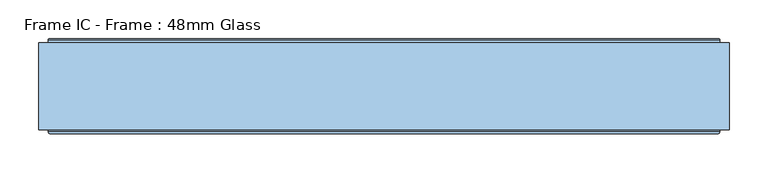
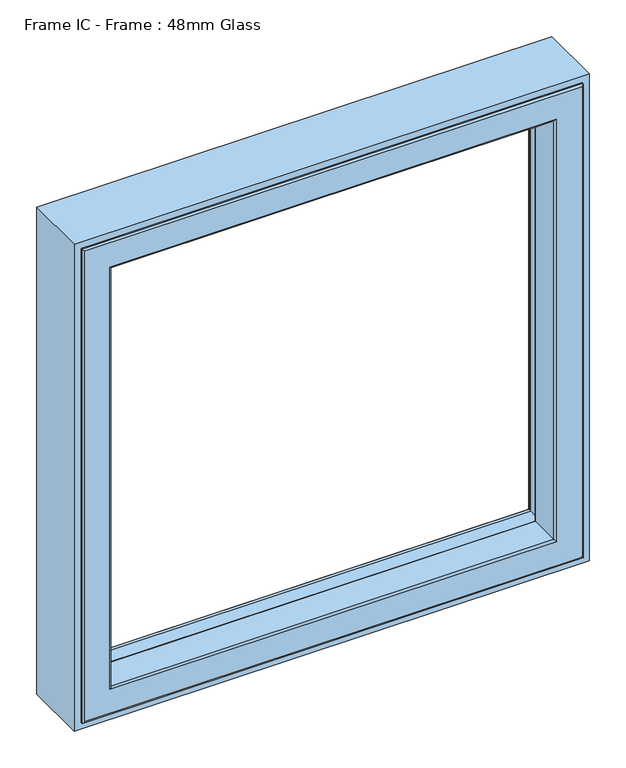
"""IFC4 building model written with IfcOpenShell, lengths in millimetres: window geometry, Frame IC - Frame : 48mm Glass."""

from ifc_helpers import new_model, si_unit, frame, origin, place, context, project, spatial, polyline, ellipse_curve, outline, extrude, source, transform, mapped, element, save
from ifc_brep_helpers import plane_surface, cylinder_surface, revolved_surface, advanced_brep


def frame_ic_frame_48mm_glass_42f8a57f(model_context):
    return source(origin(), model_context, "Body", "SolidModel", [
        advanced_brep(
        [(-383.5, -38.0, 1627.5), (-382.0, -39.5, 1626.0), (-382.0, -39.5, 862.0), (-383.5, -38.0, 860.5), (-382.0, -94.0, 1626.0), (-382.0, -94.0, 862.0), (382.0, -39.5, 862.0), (383.5, -38.0, 860.5), (398.6498733, -38.0, 1642.6498733), (398.6498733, -38.0, 845.3501267), (-398.6498733, -38.0, 845.3501267), (-398.6498733, -38.0, 1642.6498733), (383.5, -38.0, 1627.5), (-400.1386925, -36.682804, 1644.1386925), (-400.1386925, -36.682804, 843.8613075), (400.1386925, -36.682804, 843.8613075), (-406.7857488, 17.453125, 1650.7857488), (-406.7857488, 17.453125, 837.2142512), (406.7857488, 17.453125, 837.2142512), (407.6, 17.453125, 1651.6), (407.6, 17.453125, 836.4), (-407.6, 17.453125, 836.4), (-407.6, 17.453125, 1651.6), (406.7857488, 17.453125, 1650.7857488), (-407.6, 24.0, 1651.6), (-407.6, 24.0, 836.4), (407.6, 24.0, 836.4), (-408.6, 25.0, 1652.6), (-408.6, 25.0, 835.4), (408.6, 25.0, 835.4), (431.0, 25.0, 1675.0), (431.0, 25.0, 813.0), (-431.0, 25.0, 813.0), (-431.0, 25.0, 1675.0), (408.6, 25.0, 1652.6), (-432.0, 24.0, 1676.0), (-432.0, 24.0, 812.0), (432.0, 24.0, 812.0), (-432.0, -94.0, 1676.0), (-432.0, -94.0, 812.0), (432.0, -94.0, 812.0), (-429.0, -97.0, 1673.0), (-429.0, -97.0, 815.0), (429.0, -97.0, 815.0), (429.0, -97.0, 1673.0), (385.0, -97.0, 1629.0), (385.0, -97.0, 859.0), (-385.0, -97.0, 859.0), (-385.0, -97.0, 1629.0), (382.0, -94.0, 862.0), (382.0, -39.5, 1626.0), (400.1386925, -36.682804, 1644.1386925), (407.6, 24.0, 1651.6), (432.0, 24.0, 1676.0), (432.0, -94.0, 1676.0), (382.0, -94.0, 1626.0)],
        [
            (0, 1, ellipse_curve(frame((-383.5, -39.5, 1627.5), z_axis=(-0.7071067811865475, 0.0, -0.7071067811865475), x_axis=(-0.7071067811865474, 0.0, 0.7071067811865476)), 2.1213203, 1.5)),
            (1, 2),
            (2, 3, ellipse_curve(frame((-383.5, -39.5, 860.5), z_axis=(-0.7071067811865475, 0.0, 0.7071067811865475), x_axis=(0.7071067811865474, 0.0, 0.7071067811865476)), 2.1213203, 1.5)),
            (3, 0),
            (1, 4),
            (4, 5),
            (5, 2),
            (2, 6),
            (6, 7, ellipse_curve(frame((383.5, -39.5, 860.5), z_axis=(-0.7071067811865475, 0.0, -0.7071067811865475), x_axis=(-0.7071067811865476, 0.0, 0.7071067811865474)), 2.1213203, 1.5)),
            (7, 3),
            (8, 9),
            (9, 10),
            (10, 11),
            (11, 8),
            (7, 12),
            (12, 0),
            (13, 11, ellipse_curve(frame((-398.6498733, -36.5, 1642.6498733), z_axis=(0.7071067811865475, 0.0, 0.7071067811865475), x_axis=(0.7071067811865474, 0.0, -0.7071067811865476)), 2.1213203, 1.5)),
            (10, 14, ellipse_curve(frame((-398.6498733, -36.5, 845.3501267), z_axis=(0.7071067811865475, 0.0, -0.7071067811865475), x_axis=(-0.7071067811865474, 0.0, -0.7071067811865476)), 2.1213203, 1.5)),
            (14, 13),
            (9, 15, ellipse_curve(frame((398.6498733, -36.5, 845.3501267), z_axis=(0.7071067811865475, 0.0, 0.7071067811865475), x_axis=(0.7071067811865476, 0.0, -0.7071067811865474)), 2.1213203, 1.5)),
            (15, 14),
            (16, 13),
            (14, 17),
            (17, 16),
            (15, 18),
            (18, 17),
            (19, 20),
            (20, 21),
            (21, 22),
            (22, 19),
            (18, 23),
            (23, 16),
            (24, 22),
            (21, 25),
            (25, 24),
            (20, 26),
            (26, 25),
            (27, 24, ellipse_curve(frame((-408.6, 24.0, 1652.6), z_axis=(-0.7071067811865475, 0.0, -0.7071067811865475), x_axis=(-0.7071067811865474, 0.0, 0.7071067811865476)), 1.4142136, 1.0)),
            (25, 28, ellipse_curve(frame((-408.6, 24.0, 835.4), z_axis=(-0.7071067811865475, 0.0, 0.7071067811865475), x_axis=(0.7071067811865474, 0.0, 0.7071067811865476)), 1.4142136, 1.0)),
            (28, 27),
            (26, 29, ellipse_curve(frame((408.6, 24.0, 835.4), z_axis=(-0.7071067811865475, 0.0, -0.7071067811865475), x_axis=(-0.7071067811865476, 0.0, 0.7071067811865474)), 1.4142136, 1.0)),
            (29, 28),
            (30, 31),
            (31, 32),
            (32, 33),
            (33, 30),
            (29, 34),
            (34, 27),
            (35, 33, ellipse_curve(frame((-431.0, 24.0, 1675.0), z_axis=(-0.7071067811865475, 0.0, -0.7071067811865475), x_axis=(-0.7071067811865474, 0.0, 0.7071067811865476)), 1.4142136, 1.0)),
            (32, 36, ellipse_curve(frame((-431.0, 24.0, 813.0), z_axis=(-0.7071067811865475, 0.0, 0.7071067811865475), x_axis=(0.7071067811865474, 0.0, 0.7071067811865476)), 1.4142136, 1.0)),
            (36, 35),
            (31, 37, ellipse_curve(frame((431.0, 24.0, 813.0), z_axis=(-0.7071067811865475, 0.0, -0.7071067811865475), x_axis=(-0.7071067811865476, 0.0, 0.7071067811865474)), 1.4142136, 1.0)),
            (37, 36),
            (38, 35),
            (36, 39),
            (39, 38),
            (37, 40),
            (40, 39),
            (41, 38, ellipse_curve(frame((-429.0, -94.0, 1673.0), z_axis=(-0.7071067811865475, 0.0, -0.7071067811865475), x_axis=(-0.7071067811865474, 0.0, 0.7071067811865476)), 4.2426407, 3.0)),
            (39, 42, ellipse_curve(frame((-429.0, -94.0, 815.0), z_axis=(-0.7071067811865475, 0.0, 0.7071067811865475), x_axis=(0.7071067811865474, 0.0, 0.7071067811865476)), 4.2426407, 3.0)),
            (42, 41),
            (40, 43, ellipse_curve(frame((429.0, -94.0, 815.0), z_axis=(-0.7071067811865475, 0.0, -0.7071067811865475), x_axis=(-0.7071067811865476, 0.0, 0.7071067811865474)), 4.2426407, 3.0)),
            (43, 42),
            (43, 44),
            (44, 41),
            (45, 46),
            (46, 47),
            (47, 48),
            (48, 45),
            (4, 48, ellipse_curve(frame((-385.0, -94.0, 1629.0), z_axis=(-0.7071067811865475, 0.0, -0.7071067811865475), x_axis=(-0.7071067811865474, 0.0, 0.7071067811865476)), 4.2426407, 3.0)),
            (47, 5, ellipse_curve(frame((-385.0, -94.0, 859.0), z_axis=(-0.7071067811865475, 0.0, 0.7071067811865475), x_axis=(0.7071067811865474, 0.0, 0.7071067811865476)), 4.2426407, 3.0)),
            (46, 49, ellipse_curve(frame((385.0, -94.0, 859.0), z_axis=(-0.7071067811865475, 0.0, -0.7071067811865475), x_axis=(-0.7071067811865476, 0.0, 0.7071067811865474)), 4.2426407, 3.0)),
            (49, 5),
            (49, 6),
            (6, 50),
            (50, 12, ellipse_curve(frame((383.5, -39.5, 1627.5), z_axis=(0.7071067811865475, 0.0, -0.7071067811865475), x_axis=(-0.7071067811865474, 0.0, -0.7071067811865476)), 2.1213203, 1.5)),
            (8, 51, ellipse_curve(frame((398.6498733, -36.5, 1642.6498733), z_axis=(-0.7071067811865475, 0.0, 0.7071067811865475), x_axis=(0.7071067811865474, 0.0, 0.7071067811865476)), 2.1213203, 1.5)),
            (51, 15),
            (51, 23),
            (19, 52),
            (52, 26),
            (52, 34, ellipse_curve(frame((408.6, 24.0, 1652.6), z_axis=(0.7071067811865475, 0.0, -0.7071067811865475), x_axis=(-0.7071067811865474, 0.0, -0.7071067811865476)), 1.4142136, 1.0)),
            (30, 53, ellipse_curve(frame((431.0, 24.0, 1675.0), z_axis=(0.7071067811865475, 0.0, -0.7071067811865475), x_axis=(-0.7071067811865474, 0.0, -0.7071067811865476)), 1.4142136, 1.0)),
            (53, 37),
            (53, 54),
            (54, 40),
            (54, 44, ellipse_curve(frame((429.0, -94.0, 1673.0), z_axis=(0.7071067811865475, 0.0, -0.7071067811865475), x_axis=(-0.7071067811865474, 0.0, -0.7071067811865476)), 4.2426407, 3.0)),
            (45, 55, ellipse_curve(frame((385.0, -94.0, 1629.0), z_axis=(0.7071067811865475, 0.0, -0.7071067811865475), x_axis=(-0.7071067811865474, 0.0, -0.7071067811865476)), 4.2426407, 3.0)),
            (55, 49),
            (55, 50),
            (50, 1),
            (13, 51),
            (24, 52),
            (35, 53),
            (38, 54),
            (4, 55),
        ],
        [
            cylinder_surface(frame((-383.5, -39.5, 1688.0), z_axis=(0.0, 0.0, 1.0), x_axis=(0.0, 1.0, 0.0)), 1.5),
            plane_surface(frame((-382.0, -94.0, 1626.0), z_axis=(1.0, 0.0, 0.0), x_axis=(0.0, 0.0, -1.0))),
            cylinder_surface(frame((-444.0, -39.5, 860.5), z_axis=(-1.0, 0.0, 0.0), x_axis=(0.0, 1.0, 0.0)), 1.5),
            plane_surface(frame((383.5, -38.0, 860.5), z_axis=(0.0, 1.0, 0.0), x_axis=(0.0, 0.0, 1.0))),
            revolved_surface(polyline([(-398.6498733, -35.0, 843.8501267308013), (-398.6498733, -35.0, 1644.1498732691987)]), (-398.6498733, -36.5, 1688.0), (0.0, 0.0, -1.0)),
            revolved_surface(polyline([(400.1498732691988, -35.0, 845.3501267), (-400.1498732691987, -35.0, 845.3501267)]), (-444.0, -36.5, 845.3501267), (1.0, 0.0, 0.0)),
            plane_surface(frame((-400.1386925, -36.682804, 1644.1386925), z_axis=(0.9925461516413234, 0.12186934340513698, 0.0), x_axis=(0.0, 0.0, -1.0))),
            plane_surface(frame((-400.1386925, -36.682804, 843.8613075), z_axis=(0.0, 0.12186934340513698, 0.9925461516413234), x_axis=(1.0, 0.0, 0.0))),
            plane_surface(frame((406.7857488, 17.453125, 837.2142512), z_axis=(0.0, 1.0, 0.0), x_axis=(0.0, 0.0, 1.0))),
            plane_surface(frame((-407.6, 17.453125, 1651.6), z_axis=(1.0, 0.0, 0.0), x_axis=(0.0, 0.0, -1.0))),
            plane_surface(frame((-407.6, 17.453125, 836.4), z_axis=(0.0, 0.0, 1.0), x_axis=(1.0, 0.0, 0.0))),
            cylinder_surface(frame((-408.6, 24.0, 1688.0), z_axis=(0.0, 0.0, 1.0), x_axis=(0.0, 1.0, 0.0)), 1.0),
            cylinder_surface(frame((-444.0, 24.0, 835.4), z_axis=(-1.0, 0.0, 0.0), x_axis=(0.0, 1.0, 0.0)), 1.0),
            plane_surface(frame((408.6, 25.0, 835.4), z_axis=(0.0, 1.0, 0.0), x_axis=(0.0, 0.0, 1.0))),
            cylinder_surface(frame((-431.0, 24.0, 1688.0), z_axis=(0.0, 0.0, 1.0), x_axis=(0.0, 1.0, 0.0)), 1.0),
            cylinder_surface(frame((-444.0, 24.0, 813.0), z_axis=(-1.0, 0.0, 0.0), x_axis=(0.0, 1.0, 0.0)), 1.0),
            plane_surface(frame((-432.0, 24.0, 1676.0), z_axis=(-1.0, 0.0, 0.0), x_axis=(0.0, 0.0, -1.0))),
            plane_surface(frame((-432.0, 24.0, 812.0), z_axis=(0.0, 0.0, -1.0), x_axis=(1.0, 0.0, 0.0))),
            cylinder_surface(frame((-429.0, -94.0, 1688.0), z_axis=(0.0, 0.0, 1.0), x_axis=(0.0, 1.0, 0.0)), 3.0),
            cylinder_surface(frame((-444.0, -94.0, 815.0), z_axis=(-1.0, 0.0, 0.0), x_axis=(0.0, 1.0, 0.0)), 3.0),
            plane_surface(frame((429.0, -97.0, 815.0), z_axis=(0.0, -1.0, 0.0), x_axis=(0.0, 0.0, 1.0))),
            cylinder_surface(frame((-385.0, -94.0, 1688.0), z_axis=(0.0, 0.0, 1.0), x_axis=(0.0, 1.0, 0.0)), 3.0),
            cylinder_surface(frame((-444.0, -94.0, 859.0), z_axis=(-1.0, 0.0, 0.0), x_axis=(0.0, 1.0, 0.0)), 3.0),
            plane_surface(frame((-382.0, -94.0, 862.0), z_axis=(0.0, 0.0, 1.0), x_axis=(1.0, 0.0, 0.0))),
            cylinder_surface(frame((383.5, -39.5, 800.0), z_axis=(0.0, 0.0, -1.0), x_axis=(0.0, 1.0, 0.0)), 1.5),
            revolved_surface(polyline([(398.6498733, -35.0, 1644.149873269199), (398.6498733, -35.0, 843.8501267308013)]), (398.6498733, -36.5, 800.0), (0.0, 0.0, 1.0)),
            plane_surface(frame((400.1386925, -36.682804, 843.8613075), z_axis=(-0.9925461516413234, 0.12186934340513698, 0.0), x_axis=(0.0, 0.0, 1.0))),
            plane_surface(frame((407.6, 17.453125, 836.4), z_axis=(-1.0, 0.0, 0.0), x_axis=(0.0, 0.0, 1.0))),
            cylinder_surface(frame((408.6, 24.0, 800.0), z_axis=(0.0, 0.0, -1.0), x_axis=(0.0, 1.0, 0.0)), 1.0),
            cylinder_surface(frame((431.0, 24.0, 800.0), z_axis=(0.0, 0.0, -1.0), x_axis=(0.0, 1.0, 0.0)), 1.0),
            plane_surface(frame((432.0, 24.0, 812.0), z_axis=(1.0, 0.0, 0.0), x_axis=(0.0, 0.0, 1.0))),
            cylinder_surface(frame((429.0, -94.0, 800.0), z_axis=(0.0, 0.0, -1.0), x_axis=(0.0, 1.0, 0.0)), 3.0),
            cylinder_surface(frame((385.0, -94.0, 800.0), z_axis=(0.0, 0.0, -1.0), x_axis=(0.0, 1.0, 0.0)), 3.0),
            plane_surface(frame((382.0, -94.0, 862.0), z_axis=(-1.0, 0.0, 0.0), x_axis=(0.0, 0.0, 1.0))),
            cylinder_surface(frame((444.0, -39.5, 1627.5), z_axis=(1.0, 0.0, 0.0), x_axis=(0.0, 1.0, 0.0)), 1.5),
            revolved_surface(polyline([(-400.1498732691988, -35.0, 1642.6498733), (400.1498732691987, -35.0, 1642.6498733)]), (444.0, -36.5, 1642.6498733), (-1.0, 0.0, 0.0)),
            plane_surface(frame((400.1386925, -36.682804, 1644.1386925), z_axis=(0.0, 0.12186934340513698, -0.9925461516413234), x_axis=(-1.0, 0.0, 0.0))),
            plane_surface(frame((407.6, 17.453125, 1651.6), z_axis=(0.0, 0.0, -1.0), x_axis=(-1.0, 0.0, 0.0))),
            cylinder_surface(frame((444.0, 24.0, 1652.6), z_axis=(1.0, 0.0, 0.0), x_axis=(0.0, 1.0, 0.0)), 1.0),
            cylinder_surface(frame((444.0, 24.0, 1675.0), z_axis=(1.0, 0.0, 0.0), x_axis=(0.0, 1.0, 0.0)), 1.0),
            plane_surface(frame((432.0, 24.0, 1676.0), z_axis=(0.0, 0.0, 1.0), x_axis=(-1.0, 0.0, 0.0))),
            cylinder_surface(frame((444.0, -94.0, 1673.0), z_axis=(1.0, 0.0, 0.0), x_axis=(0.0, 1.0, 0.0)), 3.0),
            cylinder_surface(frame((444.0, -94.0, 1629.0), z_axis=(1.0, 0.0, 0.0), x_axis=(0.0, 1.0, 0.0)), 3.0),
            plane_surface(frame((382.0, -94.0, 1626.0), z_axis=(0.0, 0.0, -1.0), x_axis=(-1.0, 0.0, 0.0))),
        ],
        [
            (0, [[1, 2, 3, 4]]),
            (1, [[5, 6, 7, -2]]),
            (2, [[-3, 8, 9, 10]]),
            (3, [[11, 12, 13, 14], [-4, -10, 15, 16]]),
            (4, [[17, -13, 18, 19]]),
            (5, [[-18, -12, 20, 21]]),
            (6, [[22, -19, 23, 24]]),
            (7, [[-23, -21, 25, 26]]),
            (8, [[27, 28, 29, 30], [-24, -26, 31, 32]]),
            (9, [[33, -29, 34, 35]]),
            (10, [[-34, -28, 36, 37]]),
            (11, [[38, -35, 39, 40]]),
            (12, [[-39, -37, 41, 42]]),
            (13, [[43, 44, 45, 46], [-40, -42, 47, 48]]),
            (14, [[49, -45, 50, 51]]),
            (15, [[-50, -44, 52, 53]]),
            (16, [[54, -51, 55, 56]]),
            (17, [[-55, -53, 57, 58]]),
            (18, [[59, -56, 60, 61]]),
            (19, [[-60, -58, 62, 63]]),
            (20, [[-61, -63, 64, 65], [66, 67, 68, 69]]),
            (21, [[70, -68, 71, -6]]),
            (22, [[-71, -67, 72, 73]]),
            (23, [[-7, -73, 74, -8]]),
            (24, [[-9, 75, 76, -15]]),
            (25, [[-20, -11, 77, 78]]),
            (26, [[-25, -78, 79, -31]]),
            (27, [[-36, -27, 80, 81]]),
            (28, [[-41, -81, 82, -47]]),
            (29, [[-52, -43, 83, 84]]),
            (30, [[-57, -84, 85, 86]]),
            (31, [[-62, -86, 87, -64]]),
            (32, [[-72, -66, 88, 89]]),
            (33, [[-74, -89, 90, -75]]),
            (34, [[-76, 91, -1, -16]]),
            (35, [[-77, -14, -17, 92]]),
            (36, [[-79, -92, -22, -32]]),
            (37, [[-80, -30, -33, 93]]),
            (38, [[-82, -93, -38, -48]]),
            (39, [[-83, -46, -49, 94]]),
            (40, [[-85, -94, -54, 95]]),
            (41, [[-87, -95, -59, -65]]),
            (42, [[-88, -69, -70, 96]]),
            (43, [[-90, -96, -5, -91]]),
        ],
    ),
        extrude(outline(polyline([(1688.0, -444.0), (800.0, -444.0), (800.0, 444.0), (1688.0, 444.0), (1688.0, -444.0)]), holes=[polyline([(1676.0, 432.0), (812.0, 432.0), (812.0, -432.0), (1676.0, -432.0), (1676.0, 432.0)])]), frame((0.0, -92.0, 0.0), z_axis=(0.0, 1.0, 0.0), x_axis=(0.0, 0.0, 1.0)), (0.0, 0.0, 1.0), 112.0),
    ])


if __name__ == "__main__":
    model = new_model("IFC4")
    model_context = context("Model", 3, world=origin())
    ifc_project = project(units=[si_unit("LENGTHUNIT", "METRE", prefix="MILLI")], contexts=[model_context])
    site = spatial("IfcSite", under=ifc_project)
    building = spatial("IfcBuilding", under=site)
    placement = place(None, origin())
    frame_ic_frame_48mm_glass_shape = frame_ic_frame_48mm_glass_42f8a57f(model_context)
    element("IfcWindow", 1, ObjectType="Frame IC - Frame : 48mm Glass", at=placement, inside=building, context=model_context, shape_type="MappedRepresentation", body=[
        mapped(frame_ic_frame_48mm_glass_shape, transform((0.0, 0.0, 0.0), x_axis=(1.0, 0.0, 0.0), y_axis=(0.0, 1.0, 0.0), z_axis=(0.0, 0.0, 1.0))),
    ])
    save(model, "model.ifc")
